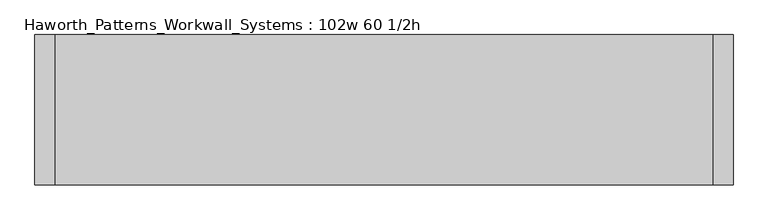
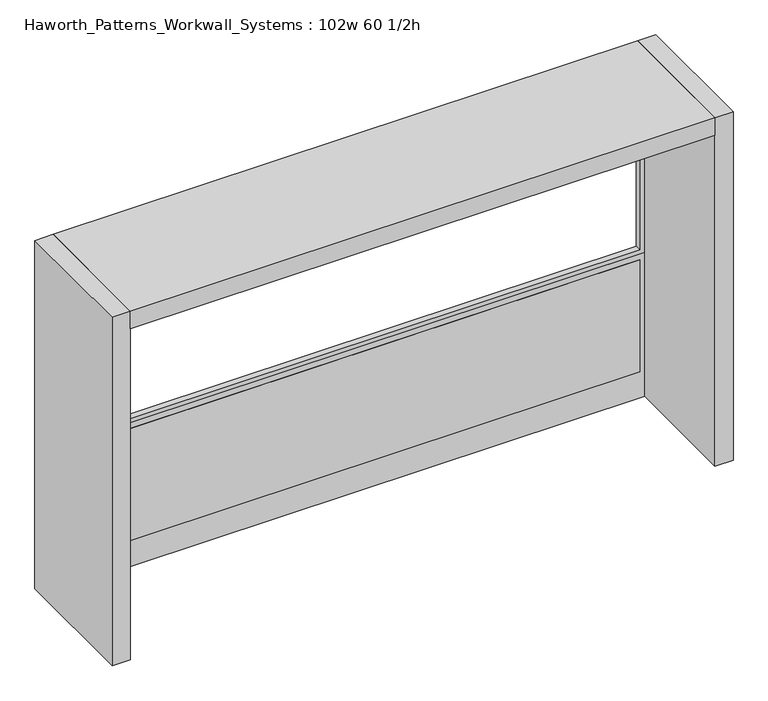
"""IFC4 building model written with IfcOpenShell, lengths in millimetres: furniture geometry, Haworth_Patterns_Workwall_Systems : 102w 60 1/2h."""

from ifc_helpers import new_model, si_unit, frame, origin, origin_with_axes, place, context, project, spatial, polyline, outline, extrude, source, transform, mapped, element, save


def haworth_patterns_workwall_systems_102w_60_1_2h_73d9fc89(model_context):
    return source(origin(), model_context, "Body", "SweptSolid", [
        extrude(outline(polyline([(1460.5, 609.6), (1460.5, -1828.8), (635.0, -1828.8), (635.0, 609.6), (1460.5, 609.6)]), holes=[polyline([(1441.45, 590.55), (654.05, 590.55), (654.05, -1809.75), (1441.45, -1809.75), (1441.45, 590.55)])]), frame((0.0, 330.2, 0.0), z_axis=(0.0, 1.0, 0.0), x_axis=(0.0, 0.0, 1.0)), (0.0, 0.0, 1.0), 25.4),
        extrude(outline(polyline([(590.55, 330.2), (-1809.75, 330.2), (-1809.75, 355.6), (590.55, 355.6), (590.55, 330.2)])), frame((0.0, 0.0, 114.3), z_axis=(0.0, 0.0, 1.0), x_axis=(1.0, 0.0, 0.0)), (0.0, 0.0, 1.0), 495.3),
        extrude(outline(polyline([(635.0, 609.6), (635.0, -1828.8), (0.0, -1828.8), (0.0, 609.6), (635.0, 609.6)]), holes=[polyline([(609.6, 590.55), (114.3, 590.55), (114.3, -1809.75), (609.6, -1809.75), (609.6, 590.55)])]), frame((0.0, 330.2, 0.0), z_axis=(0.0, 1.0, 0.0), x_axis=(0.0, 0.0, 1.0)), (0.0, 0.0, 1.0), 25.4),
        extrude(outline(polyline([(609.6, -177.8), (-1828.8, -177.8), (-1828.8, 381.0), (609.6, 381.0), (609.6, -177.8)])), frame((0.0, 0.0, 1460.5), z_axis=(0.0, 0.0, 1.0), x_axis=(1.0, 0.0, 0.0)), (0.0, 0.0, 1.0), 76.2),
        extrude(outline(polyline([(685.8, 381.0), (685.8, -177.8), (609.6, -177.8), (609.6, 381.0), (685.8, 381.0)])), origin_with_axes(), (0.0, 0.0, 1.0), 1536.7),
        extrude(outline(polyline([(-1828.8, 381.0), (-1828.8, -177.8), (-1905.0, -177.8), (-1905.0, 381.0), (-1828.8, 381.0)])), origin_with_axes(), (0.0, 0.0, 1.0), 1536.7),
    ])


if __name__ == "__main__":
    model = new_model("IFC4")
    model_context = context("Model", 3, world=origin())
    ifc_project = project(units=[si_unit("LENGTHUNIT", "METRE", prefix="MILLI")], contexts=[model_context])
    site = spatial("IfcSite", under=ifc_project)
    building = spatial("IfcBuilding", under=site)
    placement = place(None, origin())
    haworth_patterns_workwall_systems_102w_60_1_2h_shape = haworth_patterns_workwall_systems_102w_60_1_2h_73d9fc89(model_context)
    element("IfcFurniture", 1, ObjectType="Haworth_Patterns_Workwall_Systems : 102w 60 1/2h", at=placement, inside=building, context=model_context, shape_type="MappedRepresentation", body=[
        mapped(haworth_patterns_workwall_systems_102w_60_1_2h_shape, transform((0.0, 0.0, 0.0), x_axis=(1.0, 0.0, 0.0), y_axis=(0.0, 1.0, 0.0), z_axis=(0.0, 0.0, 1.0))),
    ])
    save(model, "model.ifc")
